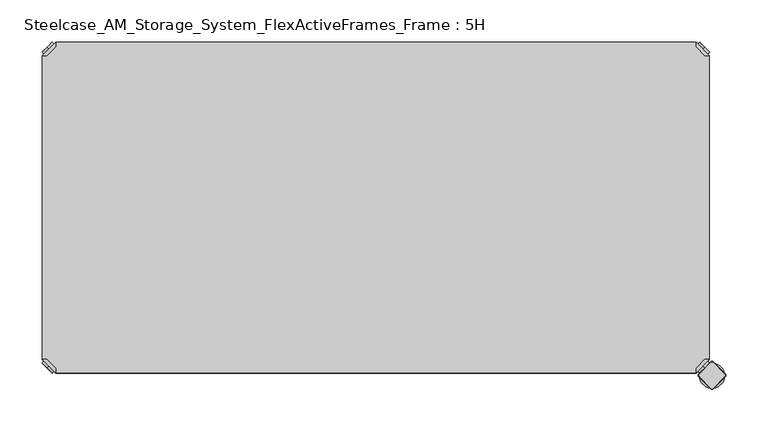
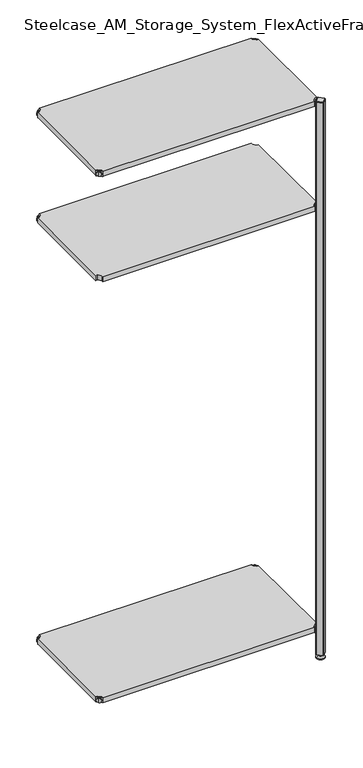
"""IFC4 building model written with IfcOpenShell, lengths in millimetres: furniture geometry, Steelcase_AM_Storage_System_FlexActiveFrames_Frame : 5H."""

from ifc_helpers import new_model, si_unit, point, frame, frame_2d, origin, place, context, project, spatial, polyline, circle_curve, trimmed, segment, composite_curve, outline, extrude, source, transform, mapped, element, save
from ifc_brep_helpers import plane_surface, cylinder_surface, revolved_surface, advanced_brep


def steelcase_am_storage_system_flexactiveframes_frame_5h_b636165f(model_context):
    return source(origin(), model_context, "Body", "SolidModel", [
        advanced_brep(
        [(10.9601551, -10.9601551, 1698.5), (10.9601551, -10.9601551, 1715.5), (10.9601551, -10.9601551, 1707.0), (8.8388348, -8.8388348, 1698.5), (8.8388348, -8.8388348, 1715.5), (8.8388348, -8.8388348, 1707.0)],
        [
            (0, 1, circle_curve(frame((10.9601551, -10.9601551, 1707.0), z_axis=(0.7071067811865464, -0.7071067811865487, 0.0), x_axis=(0.0, 0.0, 1.0)), 8.5)),
            (1, 2),
            (2, 0),
            (1, 0, circle_curve(frame((10.9601551, -10.9601551, 1707.0), z_axis=(0.7071067811865464, -0.7071067811865487, 0.0), x_axis=(0.0, 0.0, 1.0)), 8.5)),
            (3, 4, circle_curve(frame((8.8388348, -8.8388348, 1707.0), z_axis=(0.7071067811865464, -0.7071067811865487, 0.0), x_axis=(0.0, 0.0, 1.0)), 8.5)),
            (4, 1),
            (0, 3),
            (4, 3, circle_curve(frame((8.8388348, -8.8388348, 1707.0), z_axis=(0.7071067811865464, -0.7071067811865487, 0.0), x_axis=(0.0, 0.0, 1.0)), 8.5)),
            (5, 4),
            (3, 5),
        ],
        [
            plane_surface(frame((10.9601551, -10.9601551, 1707.0), z_axis=(0.707106781186546, -0.7071067811865491, 0.0), x_axis=(0.0, 0.0, 1.0))),
            cylinder_surface(frame((8.8388348, -8.8388348, 1707.0), z_axis=(-0.7071067811865464, 0.7071067811865487, 0.0), x_axis=(0.0, 0.0, 1.0)), 8.5),
            plane_surface(frame((8.8388348, -8.8388348, 1707.0), z_axis=(-0.707106781186546, 0.7071067811865491, 0.0), x_axis=(0.0, 0.0, 1.0))),
        ],
        [
            (0, [[1, 2, 3]]),
            (0, [[4, -3, -2]]),
            (1, [[5, 6, -1, 7]]),
            (1, [[8, -7, -4, -6]]),
            (2, [[9, -5, 10]]),
            (2, [[-10, -8, -9]]),
        ],
    ),
        advanced_brep(
        [(18.9203102, -3.0, 1717.0), (3.0, -18.9203102, 1717.0), (8.6568542, -18.9203102, 1717.0), (18.9203102, -8.6568542, 1717.0), (18.9203102, -3.0, 1698.0), (18.9203102, -3.0, 1697.0), (3.0, -18.9203102, 1697.0), (3.0, -18.9203102, 1698.0), (8.6568542, -18.9203102, 1698.0), (18.9203102, -8.6568542, 1698.0), (31.8093975, -47.7297077, 1698.0), (47.7297077, -31.8093975, 1698.0), (47.7297077, -31.8093975, 1697.0), (31.8093975, -47.7297077, 1697.0)],
        [
            (0, 1),
            (1, 2),
            (2, 3),
            (3, 0),
            (0, 4),
            (4, 5),
            (5, 6),
            (6, 7),
            (7, 1),
            (2, 8),
            (8, 9),
            (9, 3),
            (9, 4),
            (7, 8),
            (7, 10),
            (10, 11, circle_curve(frame((39.7695526, -39.7695526, 1698.0), z_axis=(0.0, 0.0, 1.0), x_axis=(1.0, 0.0, 0.0)), 11.2573593)),
            (11, 4),
            (5, 12),
            (12, 13, circle_curve(frame((39.7695526, -39.7695526, 1697.0), z_axis=(0.0, 0.0, -1.0), x_axis=(1.0, 0.0, 0.0)), 11.2573593)),
            (13, 6),
            (13, 10),
            (12, 11),
        ],
        [
            plane_surface(frame((-38.8756299, -60.7959401, 1717.0), z_axis=(0.0, 0.0, 1.0000000000000002), x_axis=(-0.7071067811865557, -0.7071067811865395, 0.0))),
            plane_surface(frame((18.9203102, -3.0, 1717.0), z_axis=(-0.7071067811865395, 0.7071067811865557, 0.0), x_axis=(0.0, 0.0, -1.0))),
            plane_surface(frame((8.6568542, -18.9203102, 1717.0), z_axis=(0.7071067811865481, -0.7071067811865469, 0.0), x_axis=(0.0, 0.0, -1.0))),
            plane_surface(frame((18.9203102, -8.6568542, 1717.0), z_axis=(1.0, 0.0, 0.0), x_axis=(0.0, 0.0, -1.0))),
            plane_surface(frame((3.0, -18.9203102, 1717.0), z_axis=(0.0, -1.0, 0.0), x_axis=(0.0, 0.0, -1.0))),
            plane_surface(frame((3.0, -18.9203102, 1698.0), z_axis=(0.0, 0.0, 1.0), x_axis=(-0.7071067811865485, -0.7071067811865466, 0.0))),
            plane_surface(frame((3.0, -18.9203102, 1697.0), z_axis=(0.0, 0.0, -1.0), x_axis=(0.7071067811865485, 0.7071067811865466, 0.0))),
            plane_surface(frame((3.0, -18.9203102, 1698.0), z_axis=(-0.7071067811865491, -0.707106781186546, 0.0), x_axis=(0.0, 0.0, -1.0))),
            cylinder_surface(frame((39.7695526, -39.7695526, 1697.0), z_axis=(0.0, 0.0, 1.0), x_axis=(1.0, 0.0, 0.0)), 11.2573593),
            plane_surface(frame((47.7297077, -31.8093975, 1698.0), z_axis=(0.707106781186548, 0.7071067811865471, 0.0), x_axis=(0.0, 0.0, -1.0))),
        ],
        [
            (0, [[1, 2, 3, 4]]),
            (1, [[-1, 5, 6, 7, 8, 9]]),
            (2, [[-3, 10, 11, 12]]),
            (3, [[-4, -12, 13, -5]]),
            (4, [[-2, -9, 14, -10]]),
            (5, [[15, 16, 17, -13, -11, -14]]),
            (6, [[18, 19, 20, -7]]),
            (7, [[-15, -8, -20, 21]]),
            (8, [[-16, -21, -19, 22]]),
            (9, [[-17, -22, -18, -6]]),
        ],
    ),
        extrude(outline(polyline([(781.0796898, -3.0), (781.0796898, -8.6568542), (791.3431458, -18.9203102), (797.0, -18.9203102), (797.0, -381.0796898), (791.3431458, -381.0796898), (781.0796898, -391.3431458), (781.0796898, -397.0), (18.9203102, -397.0), (18.9203102, -391.3431458), (8.6568542, -381.0796898), (3.0, -381.0796898), (3.0, -18.9203102), (8.6568542, -18.9203102), (18.9203102, -8.6568542), (18.9203102, -3.0), (781.0796898, -3.0)])), frame((0.0, 0.0, 1698.0), z_axis=(0.0, 0.0, 1.0), x_axis=(1.0, 0.0, 0.0)), (0.0, 0.0, 1.0), 19.0),
        advanced_brep(
        [(789.0398449, -10.9601551, 2098.5), (789.0398449, -10.9601551, 2107.0), (789.0398449, -10.9601551, 2115.5), (791.1611652, -8.8388348, 2098.5), (791.1611652, -8.8388348, 2115.5), (791.1611652, -8.8388348, 2107.0)],
        [
            (0, 1),
            (1, 2),
            (2, 0, circle_curve(frame((789.0398449, -10.9601551, 2107.0), z_axis=(-0.7071067811865556, -0.7071067811865395, 0.0), x_axis=(0.0, 0.0, 1.0)), 8.5)),
            (0, 2, circle_curve(frame((789.0398449, -10.9601551, 2107.0), z_axis=(-0.7071067811865556, -0.7071067811865395, 0.0), x_axis=(0.0, 0.0, 1.0)), 8.5)),
            (3, 0),
            (2, 4),
            (4, 3, circle_curve(frame((791.1611652, -8.8388348, 2107.0), z_axis=(-0.7071067811865556, -0.7071067811865395, 0.0), x_axis=(0.0, 0.0, 1.0)), 8.5)),
            (3, 4, circle_curve(frame((791.1611652, -8.8388348, 2107.0), z_axis=(-0.7071067811865556, -0.7071067811865395, 0.0), x_axis=(0.0, 0.0, 1.0)), 8.5)),
            (5, 3),
            (4, 5),
        ],
        [
            plane_surface(frame((789.0398449, -10.9601551, 2107.0), z_axis=(-0.7071067811865552, -0.7071067811865399, 0.0), x_axis=(0.0, 0.0, 1.0))),
            cylinder_surface(frame((791.1611652, -8.8388348, 2107.0), z_axis=(0.7071067811865556, 0.7071067811865395, 0.0), x_axis=(0.0, 0.0, 1.0)), 8.5),
            plane_surface(frame((791.1611652, -8.8388348, 2107.0), z_axis=(0.7071067811865552, 0.7071067811865399, 0.0), x_axis=(0.0, 0.0, 1.0))),
        ],
        [
            (0, [[1, 2, 3]]),
            (0, [[-2, -1, 4]]),
            (1, [[5, -3, 6, 7]]),
            (1, [[-6, -4, -5, 8]]),
            (2, [[9, -7, 10]]),
            (2, [[-10, -8, -9]]),
        ],
    ),
        advanced_brep(
        [(781.0796898, -3.0, 2117.0), (781.0796898, -8.6568542, 2117.0), (791.3431458, -18.9203102, 2117.0), (797.0, -18.9203102, 2117.0), (797.0, -18.9203102, 2098.0), (797.0, -18.9203102, 2097.0), (781.0796898, -3.0, 2097.0), (781.0796898, -3.0, 2098.0), (781.0796898, -8.6568542, 2098.0), (791.3431458, -18.9203102, 2098.0), (752.2702923, -31.8093975, 2098.0), (768.1906025, -47.7297077, 2098.0), (768.1906025, -47.7297077, 2097.0), (752.2702923, -31.8093975, 2097.0)],
        [
            (0, 1),
            (1, 2),
            (2, 3),
            (3, 0),
            (3, 4),
            (4, 5),
            (5, 6),
            (6, 7),
            (7, 0),
            (1, 8),
            (8, 9),
            (9, 2),
            (7, 8),
            (9, 4),
            (7, 10),
            (10, 11, circle_curve(frame((760.2304474, -39.7695526, 2098.0), z_axis=(0.0, 0.0, 1.0), x_axis=(-1.0, 0.0, 0.0)), 11.2573593)),
            (11, 4),
            (5, 12),
            (12, 13, circle_curve(frame((760.2304474, -39.7695526, 2097.0), z_axis=(0.0, 0.0, -1.0), x_axis=(-1.0, 0.0, 0.0)), 11.2573593)),
            (13, 6),
            (11, 12),
            (10, 13),
        ],
        [
            plane_surface(frame((838.8756299, -60.7959401, 2117.0), z_axis=(0.0, 0.0, 1.0000000000000002), x_axis=(0.7071067811865465, -0.7071067811865487, 0.0))),
            plane_surface(frame((781.0796898, -3.0, 2117.0), z_axis=(0.7071067811865487, 0.7071067811865465, 0.0), x_axis=(0.0, 0.0, -1.0))),
            plane_surface(frame((791.3431458, -18.9203102, 2117.0), z_axis=(-0.7071067811865573, -0.7071067811865377, 0.0), x_axis=(0.0, 0.0, -1.0))),
            plane_surface(frame((781.0796898, -8.6568542, 2117.0), z_axis=(-1.0, 0.0, 0.0), x_axis=(0.0, 0.0, -1.0))),
            plane_surface(frame((797.0, -18.9203102, 2117.0), z_axis=(0.0, -1.0, 0.0), x_axis=(0.0, 0.0, -1.0))),
            plane_surface(frame((797.0, -18.9203102, 2098.0), z_axis=(0.0, 0.0, 1.0), x_axis=(0.7071067811865392, -0.7071067811865558, 0.0))),
            plane_surface(frame((797.0, -18.9203102, 2097.0), z_axis=(0.0, 0.0, -1.0), x_axis=(-0.7071067811865392, 0.7071067811865558, 0.0))),
            plane_surface(frame((797.0, -18.9203102, 2098.0), z_axis=(0.7071067811865399, -0.7071067811865552, 0.0), x_axis=(0.0, 0.0, -1.0))),
            cylinder_surface(frame((760.2304474, -39.7695526, 2097.0), z_axis=(0.0, 0.0, 1.0), x_axis=(-1.0, 0.0, 0.0)), 11.2573593),
            plane_surface(frame((752.2702923, -31.8093975, 2098.0), z_axis=(-0.7071067811865388, 0.7071067811865563, 0.0), x_axis=(0.0, 0.0, -1.0))),
        ],
        [
            (0, [[1, 2, 3, 4]]),
            (1, [[5, 6, 7, 8, 9, -4]]),
            (2, [[10, 11, 12, -2]]),
            (3, [[-9, 13, -10, -1]]),
            (4, [[-12, 14, -5, -3]]),
            (5, [[-14, -11, -13, 15, 16, 17]]),
            (6, [[-7, 18, 19, 20]]),
            (7, [[21, -18, -6, -17]]),
            (8, [[22, -19, -21, -16]]),
            (9, [[-8, -20, -22, -15]]),
        ],
    ),
        advanced_brep(
        [(789.0398449, -389.0398449, 2098.5), (789.0398449, -389.0398449, 2115.5), (789.0398449, -389.0398449, 2107.0), (791.1611652, -391.1611652, 2098.5), (791.1611652, -391.1611652, 2115.5), (791.1611652, -391.1611652, 2107.0)],
        [
            (0, 1, circle_curve(frame((789.0398449, -389.0398449, 2107.0), z_axis=(-0.7071067811865509, 0.7071067811865441, 0.0), x_axis=(0.0, 0.0, 1.0)), 8.5)),
            (1, 2),
            (2, 0),
            (1, 0, circle_curve(frame((789.0398449, -389.0398449, 2107.0), z_axis=(-0.7071067811865509, 0.7071067811865441, 0.0), x_axis=(0.0, 0.0, 1.0)), 8.5)),
            (3, 4, circle_curve(frame((791.1611652, -391.1611652, 2107.0), z_axis=(-0.7071067811865509, 0.7071067811865441, 0.0), x_axis=(0.0, 0.0, 1.0)), 8.5)),
            (4, 1),
            (0, 3),
            (4, 3, circle_curve(frame((791.1611652, -391.1611652, 2107.0), z_axis=(-0.7071067811865509, 0.7071067811865441, 0.0), x_axis=(0.0, 0.0, 1.0)), 8.5)),
            (5, 4),
            (3, 5),
        ],
        [
            plane_surface(frame((789.0398449, -389.0398449, 2107.0), z_axis=(-0.7071067811865506, 0.7071067811865446, 0.0), x_axis=(0.0, 0.0, 1.0))),
            cylinder_surface(frame((791.1611652, -391.1611652, 2107.0), z_axis=(0.7071067811865509, -0.7071067811865441, 0.0), x_axis=(0.0, 0.0, 1.0)), 8.5),
            plane_surface(frame((791.1611652, -391.1611652, 2107.0), z_axis=(0.7071067811865506, -0.7071067811865446, 0.0), x_axis=(0.0, 0.0, 1.0))),
        ],
        [
            (0, [[1, 2, 3]]),
            (0, [[4, -3, -2]]),
            (1, [[5, 6, -1, 7]]),
            (1, [[8, -7, -4, -6]]),
            (2, [[9, -5, 10]]),
            (2, [[-10, -8, -9]]),
        ],
    ),
        advanced_brep(
        [(781.0796898, -397.0, 2117.0), (797.0, -381.0796898, 2117.0), (791.3431458, -381.0796898, 2117.0), (781.0796898, -391.3431458, 2117.0), (781.0796898, -397.0, 2098.0), (781.0796898, -397.0, 2097.0), (797.0, -381.0796898, 2097.0), (797.0, -381.0796898, 2098.0), (791.3431458, -381.0796898, 2098.0), (781.0796898, -391.3431458, 2098.0), (768.1906025, -352.2702923, 2098.0), (752.2702923, -368.1906025, 2098.0), (752.2702923, -368.1906025, 2097.0), (768.1906025, -352.2702923, 2097.0)],
        [
            (0, 1),
            (1, 2),
            (2, 3),
            (3, 0),
            (0, 4),
            (4, 5),
            (5, 6),
            (6, 7),
            (7, 1),
            (2, 8),
            (8, 9),
            (9, 3),
            (9, 4),
            (7, 8),
            (7, 10),
            (10, 11, circle_curve(frame((760.2304474, -360.2304474, 2098.0), z_axis=(0.0, 0.0, 1.0), x_axis=(-1.0, 0.0, 0.0)), 11.2573593)),
            (11, 4),
            (5, 12),
            (12, 13, circle_curve(frame((760.2304474, -360.2304474, 2097.0), z_axis=(0.0, 0.0, -1.0), x_axis=(-1.0, 0.0, 0.0)), 11.2573593)),
            (13, 6),
            (13, 10),
            (12, 11),
        ],
        [
            plane_surface(frame((838.8756299, -339.2040599, 2117.0), z_axis=(0.0, 0.0, 1.0000000000000002), x_axis=(0.7071067811865511, 0.707106781186544, 0.0))),
            plane_surface(frame((781.0796898, -397.0, 2117.0), z_axis=(0.707106781186544, -0.7071067811865511, 0.0), x_axis=(0.0, 0.0, -1.0))),
            plane_surface(frame((791.3431458, -381.0796898, 2117.0), z_axis=(-0.7071067811865527, 0.7071067811865424, 0.0), x_axis=(0.0, 0.0, -1.0))),
            plane_surface(frame((781.0796898, -391.3431458, 2117.0), z_axis=(-1.0, 0.0, 0.0), x_axis=(0.0, 0.0, -1.0))),
            plane_surface(frame((797.0, -381.0796898, 2117.0), z_axis=(0.0, 1.0, 0.0), x_axis=(0.0, 0.0, -1.0))),
            plane_surface(frame((797.0, -381.0796898, 2098.0), z_axis=(0.0, 0.0, 1.0), x_axis=(0.7071067811865439, 0.7071067811865511, 0.0))),
            plane_surface(frame((797.0, -381.0796898, 2097.0), z_axis=(0.0, 0.0, -1.0), x_axis=(-0.7071067811865439, -0.7071067811865511, 0.0))),
            plane_surface(frame((797.0, -381.0796898, 2098.0), z_axis=(0.7071067811865446, 0.7071067811865506, 0.0), x_axis=(0.0, 0.0, -1.0))),
            cylinder_surface(frame((760.2304474, -360.2304474, 2097.0), z_axis=(0.0, 0.0, 1.0), x_axis=(-1.0, 0.0, 0.0)), 11.2573593),
            plane_surface(frame((752.2702923, -368.1906025, 2098.0), z_axis=(-0.7071067811865435, -0.7071067811865517, 0.0), x_axis=(0.0, 0.0, -1.0))),
        ],
        [
            (0, [[1, 2, 3, 4]]),
            (1, [[-1, 5, 6, 7, 8, 9]]),
            (2, [[-3, 10, 11, 12]]),
            (3, [[-4, -12, 13, -5]]),
            (4, [[-2, -9, 14, -10]]),
            (5, [[15, 16, 17, -13, -11, -14]]),
            (6, [[18, 19, 20, -7]]),
            (7, [[-15, -8, -20, 21]]),
            (8, [[-16, -21, -19, 22]]),
            (9, [[-17, -22, -18, -6]]),
        ],
    ),
        advanced_brep(
        [(10.9601551, -389.0398449, 2098.5), (10.9601551, -389.0398449, 2107.0), (10.9601551, -389.0398449, 2115.5), (8.8388348, -391.1611652, 2098.5), (8.8388348, -391.1611652, 2115.5), (8.8388348, -391.1611652, 2107.0)],
        [
            (0, 1),
            (1, 2),
            (2, 0, circle_curve(frame((10.9601551, -389.0398449, 2107.0), z_axis=(0.7071067811865509, 0.7071067811865441, 0.0), x_axis=(0.0, 0.0, 1.0)), 8.5)),
            (0, 2, circle_curve(frame((10.9601551, -389.0398449, 2107.0), z_axis=(0.7071067811865509, 0.7071067811865441, 0.0), x_axis=(0.0, 0.0, 1.0)), 8.5)),
            (3, 0),
            (2, 4),
            (4, 3, circle_curve(frame((8.8388348, -391.1611652, 2107.0), z_axis=(0.7071067811865509, 0.7071067811865441, 0.0), x_axis=(0.0, 0.0, 1.0)), 8.5)),
            (3, 4, circle_curve(frame((8.8388348, -391.1611652, 2107.0), z_axis=(0.7071067811865509, 0.7071067811865441, 0.0), x_axis=(0.0, 0.0, 1.0)), 8.5)),
            (5, 3),
            (4, 5),
        ],
        [
            plane_surface(frame((10.9601551, -389.0398449, 2107.0), z_axis=(0.7071067811865506, 0.7071067811865446, 0.0), x_axis=(0.0, 0.0, 1.0))),
            cylinder_surface(frame((8.8388348, -391.1611652, 2107.0), z_axis=(-0.7071067811865509, -0.7071067811865441, 0.0), x_axis=(0.0, 0.0, 1.0)), 8.5),
            plane_surface(frame((8.8388348, -391.1611652, 2107.0), z_axis=(-0.7071067811865506, -0.7071067811865446, 0.0), x_axis=(0.0, 0.0, 1.0))),
        ],
        [
            (0, [[1, 2, 3]]),
            (0, [[-2, -1, 4]]),
            (1, [[5, -3, 6, 7]]),
            (1, [[-6, -4, -5, 8]]),
            (2, [[9, -7, 10]]),
            (2, [[-10, -8, -9]]),
        ],
    ),
        advanced_brep(
        [(18.9203102, -397.0, 2117.0), (18.9203102, -391.3431458, 2117.0), (8.6568542, -381.0796898, 2117.0), (3.0, -381.0796898, 2117.0), (3.0, -381.0796898, 2098.0), (3.0, -381.0796898, 2097.0), (18.9203102, -397.0, 2097.0), (18.9203102, -397.0, 2098.0), (18.9203102, -391.3431458, 2098.0), (8.6568542, -381.0796898, 2098.0), (47.7297077, -368.1906025, 2098.0), (31.8093975, -352.2702923, 2098.0), (31.8093975, -352.2702923, 2097.0), (47.7297077, -368.1906025, 2097.0)],
        [
            (0, 1),
            (1, 2),
            (2, 3),
            (3, 0),
            (3, 4),
            (4, 5),
            (5, 6),
            (6, 7),
            (7, 0),
            (1, 8),
            (8, 9),
            (9, 2),
            (7, 8),
            (9, 4),
            (7, 10),
            (10, 11, circle_curve(frame((39.7695526, -360.2304474, 2098.0), z_axis=(0.0, 0.0, 1.0), x_axis=(1.0, 0.0, 0.0)), 11.2573593)),
            (11, 4),
            (5, 12),
            (12, 13, circle_curve(frame((39.7695526, -360.2304474, 2097.0), z_axis=(0.0, 0.0, -1.0), x_axis=(1.0, 0.0, 0.0)), 11.2573593)),
            (13, 6),
            (11, 12),
            (10, 13),
        ],
        [
            plane_surface(frame((-38.8756299, -339.2040599, 2117.0), z_axis=(0.0, 0.0, 1.0000000000000002), x_axis=(-0.7071067811865511, 0.707106781186544, 0.0))),
            plane_surface(frame((18.9203102, -397.0, 2117.0), z_axis=(-0.707106781186544, -0.7071067811865511, 0.0), x_axis=(0.0, 0.0, -1.0))),
            plane_surface(frame((8.6568542, -381.0796898, 2117.0), z_axis=(0.7071067811865527, 0.7071067811865424, 0.0), x_axis=(0.0, 0.0, -1.0))),
            plane_surface(frame((18.9203102, -391.3431458, 2117.0), z_axis=(1.0, 0.0, 0.0), x_axis=(0.0, 0.0, -1.0))),
            plane_surface(frame((3.0, -381.0796898, 2117.0), z_axis=(0.0, 1.0, 0.0), x_axis=(0.0, 0.0, -1.0))),
            plane_surface(frame((3.0, -381.0796898, 2098.0), z_axis=(0.0, 0.0, 1.0), x_axis=(-0.7071067811865439, 0.7071067811865511, 0.0))),
            plane_surface(frame((3.0, -381.0796898, 2097.0), z_axis=(0.0, 0.0, -1.0), x_axis=(0.7071067811865439, -0.7071067811865511, 0.0))),
            plane_surface(frame((3.0, -381.0796898, 2098.0), z_axis=(-0.7071067811865446, 0.7071067811865506, 0.0), x_axis=(0.0, 0.0, -1.0))),
            cylinder_surface(frame((39.7695526, -360.2304474, 2097.0), z_axis=(0.0, 0.0, 1.0), x_axis=(1.0, 0.0, 0.0)), 11.2573593),
            plane_surface(frame((47.7297077, -368.1906025, 2098.0), z_axis=(0.7071067811865435, -0.7071067811865517, 0.0), x_axis=(0.0, 0.0, -1.0))),
        ],
        [
            (0, [[1, 2, 3, 4]]),
            (1, [[5, 6, 7, 8, 9, -4]]),
            (2, [[10, 11, 12, -2]]),
            (3, [[-9, 13, -10, -1]]),
            (4, [[-12, 14, -5, -3]]),
            (5, [[-14, -11, -13, 15, 16, 17]]),
            (6, [[-7, 18, 19, 20]]),
            (7, [[21, -18, -6, -17]]),
            (8, [[22, -19, -21, -16]]),
            (9, [[-8, -20, -22, -15]]),
        ],
    ),
        advanced_brep(
        [(10.9601551, -10.9601551, 2098.5), (10.9601551, -10.9601551, 2115.5), (10.9601551, -10.9601551, 2107.0), (8.8388348, -8.8388348, 2098.5), (8.8388348, -8.8388348, 2115.5), (8.8388348, -8.8388348, 2107.0)],
        [
            (0, 1, circle_curve(frame((10.9601551, -10.9601551, 2107.0), z_axis=(0.7071067811865464, -0.7071067811865487, 0.0), x_axis=(0.0, 0.0, 1.0)), 8.5)),
            (1, 2),
            (2, 0),
            (1, 0, circle_curve(frame((10.9601551, -10.9601551, 2107.0), z_axis=(0.7071067811865464, -0.7071067811865487, 0.0), x_axis=(0.0, 0.0, 1.0)), 8.5)),
            (3, 4, circle_curve(frame((8.8388348, -8.8388348, 2107.0), z_axis=(0.7071067811865464, -0.7071067811865487, 0.0), x_axis=(0.0, 0.0, 1.0)), 8.5)),
            (4, 1),
            (0, 3),
            (4, 3, circle_curve(frame((8.8388348, -8.8388348, 2107.0), z_axis=(0.7071067811865464, -0.7071067811865487, 0.0), x_axis=(0.0, 0.0, 1.0)), 8.5)),
            (5, 4),
            (3, 5),
        ],
        [
            plane_surface(frame((10.9601551, -10.9601551, 2107.0), z_axis=(0.707106781186546, -0.7071067811865491, 0.0), x_axis=(0.0, 0.0, 1.0))),
            cylinder_surface(frame((8.8388348, -8.8388348, 2107.0), z_axis=(-0.7071067811865464, 0.7071067811865487, 0.0), x_axis=(0.0, 0.0, 1.0)), 8.5),
            plane_surface(frame((8.8388348, -8.8388348, 2107.0), z_axis=(-0.707106781186546, 0.7071067811865491, 0.0), x_axis=(0.0, 0.0, 1.0))),
        ],
        [
            (0, [[1, 2, 3]]),
            (0, [[4, -3, -2]]),
            (1, [[5, 6, -1, 7]]),
            (1, [[8, -7, -4, -6]]),
            (2, [[9, -5, 10]]),
            (2, [[-10, -8, -9]]),
        ],
    ),
        advanced_brep(
        [(18.9203102, -3.0, 2117.0), (3.0, -18.9203102, 2117.0), (8.6568542, -18.9203102, 2117.0), (18.9203102, -8.6568542, 2117.0), (18.9203102, -3.0, 2098.0), (18.9203102, -3.0, 2097.0), (3.0, -18.9203102, 2097.0), (3.0, -18.9203102, 2098.0), (8.6568542, -18.9203102, 2098.0), (18.9203102, -8.6568542, 2098.0), (31.8093975, -47.7297077, 2098.0), (47.7297077, -31.8093975, 2098.0), (47.7297077, -31.8093975, 2097.0), (31.8093975, -47.7297077, 2097.0)],
        [
            (0, 1),
            (1, 2),
            (2, 3),
            (3, 0),
            (0, 4),
            (4, 5),
            (5, 6),
            (6, 7),
            (7, 1),
            (2, 8),
            (8, 9),
            (9, 3),
            (9, 4),
            (7, 8),
            (7, 10),
            (10, 11, circle_curve(frame((39.7695526, -39.7695526, 2098.0), z_axis=(0.0, 0.0, 1.0), x_axis=(1.0, 0.0, 0.0)), 11.2573593)),
            (11, 4),
            (5, 12),
            (12, 13, circle_curve(frame((39.7695526, -39.7695526, 2097.0), z_axis=(0.0, 0.0, -1.0), x_axis=(1.0, 0.0, 0.0)), 11.2573593)),
            (13, 6),
            (13, 10),
            (12, 11),
        ],
        [
            plane_surface(frame((-38.8756299, -60.7959401, 2117.0), z_axis=(0.0, 0.0, 1.0000000000000002), x_axis=(-0.7071067811865557, -0.7071067811865395, 0.0))),
            plane_surface(frame((18.9203102, -3.0, 2117.0), z_axis=(-0.7071067811865395, 0.7071067811865557, 0.0), x_axis=(0.0, 0.0, -1.0))),
            plane_surface(frame((8.6568542, -18.9203102, 2117.0), z_axis=(0.7071067811865481, -0.7071067811865469, 0.0), x_axis=(0.0, 0.0, -1.0))),
            plane_surface(frame((18.9203102, -8.6568542, 2117.0), z_axis=(1.0, 0.0, 0.0), x_axis=(0.0, 0.0, -1.0))),
            plane_surface(frame((3.0, -18.9203102, 2117.0), z_axis=(0.0, -1.0, 0.0), x_axis=(0.0, 0.0, -1.0))),
            plane_surface(frame((3.0, -18.9203102, 2098.0), z_axis=(0.0, 0.0, 1.0), x_axis=(-0.7071067811865485, -0.7071067811865466, 0.0))),
            plane_surface(frame((3.0, -18.9203102, 2097.0), z_axis=(0.0, 0.0, -1.0), x_axis=(0.7071067811865485, 0.7071067811865466, 0.0))),
            plane_surface(frame((3.0, -18.9203102, 2098.0), z_axis=(-0.7071067811865491, -0.707106781186546, 0.0), x_axis=(0.0, 0.0, -1.0))),
            cylinder_surface(frame((39.7695526, -39.7695526, 2097.0), z_axis=(0.0, 0.0, 1.0), x_axis=(1.0, 0.0, 0.0)), 11.2573593),
            plane_surface(frame((47.7297077, -31.8093975, 2098.0), z_axis=(0.707106781186548, 0.7071067811865471, 0.0), x_axis=(0.0, 0.0, -1.0))),
        ],
        [
            (0, [[1, 2, 3, 4]]),
            (1, [[-1, 5, 6, 7, 8, 9]]),
            (2, [[-3, 10, 11, 12]]),
            (3, [[-4, -12, 13, -5]]),
            (4, [[-2, -9, 14, -10]]),
            (5, [[15, 16, 17, -13, -11, -14]]),
            (6, [[18, 19, 20, -7]]),
            (7, [[-15, -8, -20, 21]]),
            (8, [[-16, -21, -19, 22]]),
            (9, [[-17, -22, -18, -6]]),
        ],
    ),
        extrude(outline(polyline([(781.0796898, -3.0), (781.0796898, -8.6568542), (791.3431458, -18.9203102), (797.0, -18.9203102), (797.0, -381.0796898), (791.3431458, -381.0796898), (781.0796898, -391.3431458), (781.0796898, -397.0), (18.9203102, -397.0), (18.9203102, -391.3431458), (8.6568542, -381.0796898), (3.0, -381.0796898), (3.0, -18.9203102), (8.6568542, -18.9203102), (18.9203102, -8.6568542), (18.9203102, -3.0), (781.0796898, -3.0)])), frame((0.0, 0.0, 2098.0), z_axis=(0.0, 0.0, 1.0), x_axis=(1.0, 0.0, 0.0)), (0.0, 0.0, 1.0), 19.0),
        advanced_brep(
        [(789.0398449, -10.9601551, 98.5), (789.0398449, -10.9601551, 107.0), (789.0398449, -10.9601551, 115.5), (791.1611652, -8.8388348, 98.5), (791.1611652, -8.8388348, 115.5), (791.1611652, -8.8388348, 107.0)],
        [
            (0, 1),
            (1, 2),
            (2, 0, circle_curve(frame((789.0398449, -10.9601551, 107.0), z_axis=(-0.7071067811865556, -0.7071067811865395, 0.0), x_axis=(0.0, 0.0, 1.0)), 8.5)),
            (0, 2, circle_curve(frame((789.0398449, -10.9601551, 107.0), z_axis=(-0.7071067811865556, -0.7071067811865395, 0.0), x_axis=(0.0, 0.0, 1.0)), 8.5)),
            (3, 0),
            (2, 4),
            (4, 3, circle_curve(frame((791.1611652, -8.8388348, 107.0), z_axis=(-0.7071067811865556, -0.7071067811865395, 0.0), x_axis=(0.0, 0.0, 1.0)), 8.5)),
            (3, 4, circle_curve(frame((791.1611652, -8.8388348, 107.0), z_axis=(-0.7071067811865556, -0.7071067811865395, 0.0), x_axis=(0.0, 0.0, 1.0)), 8.5)),
            (5, 3),
            (4, 5),
        ],
        [
            plane_surface(frame((789.0398449, -10.9601551, 107.0), z_axis=(-0.7071067811865552, -0.7071067811865399, 0.0), x_axis=(0.0, 0.0, 1.0))),
            cylinder_surface(frame((791.1611652, -8.8388348, 107.0), z_axis=(0.7071067811865556, 0.7071067811865395, 0.0), x_axis=(0.0, 0.0, 1.0)), 8.5),
            plane_surface(frame((791.1611652, -8.8388348, 107.0), z_axis=(0.7071067811865552, 0.7071067811865399, 0.0), x_axis=(0.0, 0.0, 1.0))),
        ],
        [
            (0, [[1, 2, 3]]),
            (0, [[-2, -1, 4]]),
            (1, [[5, -3, 6, 7]]),
            (1, [[-6, -4, -5, 8]]),
            (2, [[9, -7, 10]]),
            (2, [[-10, -8, -9]]),
        ],
    ),
        advanced_brep(
        [(781.0796898, -3.0, 117.0), (781.0796898, -8.6568542, 117.0), (791.3431458, -18.9203102, 117.0), (797.0, -18.9203102, 117.0), (797.0, -18.9203102, 98.0), (797.0, -18.9203102, 97.0), (781.0796898, -3.0, 97.0), (781.0796898, -3.0, 98.0), (781.0796898, -8.6568542, 98.0), (791.3431458, -18.9203102, 98.0), (752.2702923, -31.8093975, 98.0), (768.1906025, -47.7297077, 98.0), (768.1906025, -47.7297077, 97.0), (752.2702923, -31.8093975, 97.0)],
        [
            (0, 1),
            (1, 2),
            (2, 3),
            (3, 0),
            (3, 4),
            (4, 5),
            (5, 6),
            (6, 7),
            (7, 0),
            (1, 8),
            (8, 9),
            (9, 2),
            (7, 8),
            (9, 4),
            (7, 10),
            (10, 11, circle_curve(frame((760.2304474, -39.7695526, 98.0), z_axis=(0.0, 0.0, 1.0), x_axis=(-1.0, 0.0, 0.0)), 11.2573593)),
            (11, 4),
            (5, 12),
            (12, 13, circle_curve(frame((760.2304474, -39.7695526, 97.0), z_axis=(0.0, 0.0, -1.0), x_axis=(-1.0, 0.0, 0.0)), 11.2573593)),
            (13, 6),
            (11, 12),
            (10, 13),
        ],
        [
            plane_surface(frame((838.8756299, -60.7959401, 117.0), z_axis=(0.0, 0.0, 1.0000000000000002), x_axis=(0.7071067811865465, -0.7071067811865487, 0.0))),
            plane_surface(frame((781.0796898, -3.0, 117.0), z_axis=(0.7071067811865487, 0.7071067811865465, 0.0), x_axis=(0.0, 0.0, -1.0))),
            plane_surface(frame((791.3431458, -18.9203102, 117.0), z_axis=(-0.7071067811865573, -0.7071067811865377, 0.0), x_axis=(0.0, 0.0, -1.0))),
            plane_surface(frame((781.0796898, -8.6568542, 117.0), z_axis=(-1.0, 0.0, 0.0), x_axis=(0.0, 0.0, -1.0))),
            plane_surface(frame((797.0, -18.9203102, 117.0), z_axis=(0.0, -1.0, 0.0), x_axis=(0.0, 0.0, -1.0))),
            plane_surface(frame((797.0, -18.9203102, 98.0), z_axis=(0.0, 0.0, 1.0), x_axis=(0.7071067811865392, -0.7071067811865558, 0.0))),
            plane_surface(frame((797.0, -18.9203102, 97.0), z_axis=(0.0, 0.0, -1.0), x_axis=(-0.7071067811865392, 0.7071067811865558, 0.0))),
            plane_surface(frame((797.0, -18.9203102, 98.0), z_axis=(0.7071067811865399, -0.7071067811865552, 0.0), x_axis=(0.0, 0.0, -1.0))),
            cylinder_surface(frame((760.2304474, -39.7695526, 97.0), z_axis=(0.0, 0.0, 1.0), x_axis=(-1.0, 0.0, 0.0)), 11.2573593),
            plane_surface(frame((752.2702923, -31.8093975, 98.0), z_axis=(-0.7071067811865388, 0.7071067811865563, 0.0), x_axis=(0.0, 0.0, -1.0))),
        ],
        [
            (0, [[1, 2, 3, 4]]),
            (1, [[5, 6, 7, 8, 9, -4]]),
            (2, [[10, 11, 12, -2]]),
            (3, [[-9, 13, -10, -1]]),
            (4, [[-12, 14, -5, -3]]),
            (5, [[-14, -11, -13, 15, 16, 17]]),
            (6, [[-7, 18, 19, 20]]),
            (7, [[21, -18, -6, -17]]),
            (8, [[22, -19, -21, -16]]),
            (9, [[-8, -20, -22, -15]]),
        ],
    ),
        advanced_brep(
        [(789.0398449, -389.0398449, 98.5), (789.0398449, -389.0398449, 115.5), (789.0398449, -389.0398449, 107.0), (791.1611652, -391.1611652, 98.5), (791.1611652, -391.1611652, 115.5), (791.1611652, -391.1611652, 107.0)],
        [
            (0, 1, circle_curve(frame((789.0398449, -389.0398449, 107.0), z_axis=(-0.7071067811865509, 0.7071067811865441, 0.0), x_axis=(0.0, 0.0, 1.0)), 8.5)),
            (1, 2),
            (2, 0),
            (1, 0, circle_curve(frame((789.0398449, -389.0398449, 107.0), z_axis=(-0.7071067811865509, 0.7071067811865441, 0.0), x_axis=(0.0, 0.0, 1.0)), 8.5)),
            (3, 4, circle_curve(frame((791.1611652, -391.1611652, 107.0), z_axis=(-0.7071067811865509, 0.7071067811865441, 0.0), x_axis=(0.0, 0.0, 1.0)), 8.5)),
            (4, 1),
            (0, 3),
            (4, 3, circle_curve(frame((791.1611652, -391.1611652, 107.0), z_axis=(-0.7071067811865509, 0.7071067811865441, 0.0), x_axis=(0.0, 0.0, 1.0)), 8.5)),
            (5, 4),
            (3, 5),
        ],
        [
            plane_surface(frame((789.0398449, -389.0398449, 107.0), z_axis=(-0.7071067811865506, 0.7071067811865446, 0.0), x_axis=(0.0, 0.0, 1.0))),
            cylinder_surface(frame((791.1611652, -391.1611652, 107.0), z_axis=(0.7071067811865509, -0.7071067811865441, 0.0), x_axis=(0.0, 0.0, 1.0)), 8.5),
            plane_surface(frame((791.1611652, -391.1611652, 107.0), z_axis=(0.7071067811865506, -0.7071067811865446, 0.0), x_axis=(0.0, 0.0, 1.0))),
        ],
        [
            (0, [[1, 2, 3]]),
            (0, [[4, -3, -2]]),
            (1, [[5, 6, -1, 7]]),
            (1, [[8, -7, -4, -6]]),
            (2, [[9, -5, 10]]),
            (2, [[-10, -8, -9]]),
        ],
    ),
        advanced_brep(
        [(781.0796898, -397.0, 117.0), (797.0, -381.0796898, 117.0), (791.3431458, -381.0796898, 117.0), (781.0796898, -391.3431458, 117.0), (781.0796898, -397.0, 98.0), (781.0796898, -397.0, 97.0), (797.0, -381.0796898, 97.0), (797.0, -381.0796898, 98.0), (791.3431458, -381.0796898, 98.0), (781.0796898, -391.3431458, 98.0), (768.1906025, -352.2702923, 98.0), (752.2702923, -368.1906025, 98.0), (752.2702923, -368.1906025, 97.0), (768.1906025, -352.2702923, 97.0)],
        [
            (0, 1),
            (1, 2),
            (2, 3),
            (3, 0),
            (0, 4),
            (4, 5),
            (5, 6),
            (6, 7),
            (7, 1),
            (2, 8),
            (8, 9),
            (9, 3),
            (9, 4),
            (7, 8),
            (7, 10),
            (10, 11, circle_curve(frame((760.2304474, -360.2304474, 98.0), z_axis=(0.0, 0.0, 1.0), x_axis=(-1.0, 0.0, 0.0)), 11.2573593)),
            (11, 4),
            (5, 12),
            (12, 13, circle_curve(frame((760.2304474, -360.2304474, 97.0), z_axis=(0.0, 0.0, -1.0), x_axis=(-1.0, 0.0, 0.0)), 11.2573593)),
            (13, 6),
            (13, 10),
            (12, 11),
        ],
        [
            plane_surface(frame((838.8756299, -339.2040599, 117.0), z_axis=(0.0, 0.0, 1.0000000000000002), x_axis=(0.7071067811865511, 0.707106781186544, 0.0))),
            plane_surface(frame((781.0796898, -397.0, 117.0), z_axis=(0.707106781186544, -0.7071067811865511, 0.0), x_axis=(0.0, 0.0, -1.0))),
            plane_surface(frame((791.3431458, -381.0796898, 117.0), z_axis=(-0.7071067811865527, 0.7071067811865424, 0.0), x_axis=(0.0, 0.0, -1.0))),
            plane_surface(frame((781.0796898, -391.3431458, 117.0), z_axis=(-1.0, 0.0, 0.0), x_axis=(0.0, 0.0, -1.0))),
            plane_surface(frame((797.0, -381.0796898, 117.0), z_axis=(0.0, 1.0, 0.0), x_axis=(0.0, 0.0, -1.0))),
            plane_surface(frame((797.0, -381.0796898, 98.0), z_axis=(0.0, 0.0, 1.0), x_axis=(0.7071067811865439, 0.7071067811865511, 0.0))),
            plane_surface(frame((797.0, -381.0796898, 97.0), z_axis=(0.0, 0.0, -1.0), x_axis=(-0.7071067811865439, -0.7071067811865511, 0.0))),
            plane_surface(frame((797.0, -381.0796898, 98.0), z_axis=(0.7071067811865446, 0.7071067811865506, 0.0), x_axis=(0.0, 0.0, -1.0))),
            cylinder_surface(frame((760.2304474, -360.2304474, 97.0), z_axis=(0.0, 0.0, 1.0), x_axis=(-1.0, 0.0, 0.0)), 11.2573593),
            plane_surface(frame((752.2702923, -368.1906025, 98.0), z_axis=(-0.7071067811865435, -0.7071067811865517, 0.0), x_axis=(0.0, 0.0, -1.0))),
        ],
        [
            (0, [[1, 2, 3, 4]]),
            (1, [[-1, 5, 6, 7, 8, 9]]),
            (2, [[-3, 10, 11, 12]]),
            (3, [[-4, -12, 13, -5]]),
            (4, [[-2, -9, 14, -10]]),
            (5, [[15, 16, 17, -13, -11, -14]]),
            (6, [[18, 19, 20, -7]]),
            (7, [[-15, -8, -20, 21]]),
            (8, [[-16, -21, -19, 22]]),
            (9, [[-17, -22, -18, -6]]),
        ],
    ),
        advanced_brep(
        [(10.9601551, -389.0398449, 98.5), (10.9601551, -389.0398449, 107.0), (10.9601551, -389.0398449, 115.5), (8.8388348, -391.1611652, 98.5), (8.8388348, -391.1611652, 115.5), (8.8388348, -391.1611652, 107.0)],
        [
            (0, 1),
            (1, 2),
            (2, 0, circle_curve(frame((10.9601551, -389.0398449, 107.0), z_axis=(0.7071067811865509, 0.7071067811865441, 0.0), x_axis=(0.0, 0.0, 1.0)), 8.5)),
            (0, 2, circle_curve(frame((10.9601551, -389.0398449, 107.0), z_axis=(0.7071067811865509, 0.7071067811865441, 0.0), x_axis=(0.0, 0.0, 1.0)), 8.5)),
            (3, 0),
            (2, 4),
            (4, 3, circle_curve(frame((8.8388348, -391.1611652, 107.0), z_axis=(0.7071067811865509, 0.7071067811865441, 0.0), x_axis=(0.0, 0.0, 1.0)), 8.5)),
            (3, 4, circle_curve(frame((8.8388348, -391.1611652, 107.0), z_axis=(0.7071067811865509, 0.7071067811865441, 0.0), x_axis=(0.0, 0.0, 1.0)), 8.5)),
            (5, 3),
            (4, 5),
        ],
        [
            plane_surface(frame((10.9601551, -389.0398449, 107.0), z_axis=(0.7071067811865506, 0.7071067811865446, 0.0), x_axis=(0.0, 0.0, 1.0))),
            cylinder_surface(frame((8.8388348, -391.1611652, 107.0), z_axis=(-0.7071067811865509, -0.7071067811865441, 0.0), x_axis=(0.0, 0.0, 1.0)), 8.5),
            plane_surface(frame((8.8388348, -391.1611652, 107.0), z_axis=(-0.7071067811865506, -0.7071067811865446, 0.0), x_axis=(0.0, 0.0, 1.0))),
        ],
        [
            (0, [[1, 2, 3]]),
            (0, [[-2, -1, 4]]),
            (1, [[5, -3, 6, 7]]),
            (1, [[-6, -4, -5, 8]]),
            (2, [[9, -7, 10]]),
            (2, [[-10, -8, -9]]),
        ],
    ),
        advanced_brep(
        [(18.9203102, -397.0, 117.0), (18.9203102, -391.3431458, 117.0), (8.6568542, -381.0796898, 117.0), (3.0, -381.0796898, 117.0), (3.0, -381.0796898, 98.0), (3.0, -381.0796898, 97.0), (18.9203102, -397.0, 97.0), (18.9203102, -397.0, 98.0), (18.9203102, -391.3431458, 98.0), (8.6568542, -381.0796898, 98.0), (47.7297077, -368.1906025, 98.0), (31.8093975, -352.2702923, 98.0), (31.8093975, -352.2702923, 97.0), (47.7297077, -368.1906025, 97.0)],
        [
            (0, 1),
            (1, 2),
            (2, 3),
            (3, 0),
            (3, 4),
            (4, 5),
            (5, 6),
            (6, 7),
            (7, 0),
            (1, 8),
            (8, 9),
            (9, 2),
            (7, 8),
            (9, 4),
            (7, 10),
            (10, 11, circle_curve(frame((39.7695526, -360.2304474, 98.0), z_axis=(0.0, 0.0, 1.0), x_axis=(1.0, 0.0, 0.0)), 11.2573593)),
            (11, 4),
            (5, 12),
            (12, 13, circle_curve(frame((39.7695526, -360.2304474, 97.0), z_axis=(0.0, 0.0, -1.0), x_axis=(1.0, 0.0, 0.0)), 11.2573593)),
            (13, 6),
            (11, 12),
            (10, 13),
        ],
        [
            plane_surface(frame((-38.8756299, -339.2040599, 117.0), z_axis=(0.0, 0.0, 1.0000000000000002), x_axis=(-0.7071067811865511, 0.707106781186544, 0.0))),
            plane_surface(frame((18.9203102, -397.0, 117.0), z_axis=(-0.707106781186544, -0.7071067811865511, 0.0), x_axis=(0.0, 0.0, -1.0))),
            plane_surface(frame((8.6568542, -381.0796898, 117.0), z_axis=(0.7071067811865527, 0.7071067811865424, 0.0), x_axis=(0.0, 0.0, -1.0))),
            plane_surface(frame((18.9203102, -391.3431458, 117.0), z_axis=(1.0, 0.0, 0.0), x_axis=(0.0, 0.0, -1.0))),
            plane_surface(frame((3.0, -381.0796898, 117.0), z_axis=(0.0, 1.0, 0.0), x_axis=(0.0, 0.0, -1.0))),
            plane_surface(frame((3.0, -381.0796898, 98.0), z_axis=(0.0, 0.0, 1.0), x_axis=(-0.7071067811865439, 0.7071067811865511, 0.0))),
            plane_surface(frame((3.0, -381.0796898, 97.0), z_axis=(0.0, 0.0, -1.0), x_axis=(0.7071067811865439, -0.7071067811865511, 0.0))),
            plane_surface(frame((3.0, -381.0796898, 98.0), z_axis=(-0.7071067811865446, 0.7071067811865506, 0.0), x_axis=(0.0, 0.0, -1.0))),
            cylinder_surface(frame((39.7695526, -360.2304474, 97.0), z_axis=(0.0, 0.0, 1.0), x_axis=(1.0, 0.0, 0.0)), 11.2573593),
            plane_surface(frame((47.7297077, -368.1906025, 98.0), z_axis=(0.7071067811865435, -0.7071067811865517, 0.0), x_axis=(0.0, 0.0, -1.0))),
        ],
        [
            (0, [[1, 2, 3, 4]]),
            (1, [[5, 6, 7, 8, 9, -4]]),
            (2, [[10, 11, 12, -2]]),
            (3, [[-9, 13, -10, -1]]),
            (4, [[-12, 14, -5, -3]]),
            (5, [[-14, -11, -13, 15, 16, 17]]),
            (6, [[-7, 18, 19, 20]]),
            (7, [[21, -18, -6, -17]]),
            (8, [[22, -19, -21, -16]]),
            (9, [[-8, -20, -22, -15]]),
        ],
    ),
        advanced_brep(
        [(10.9601551, -10.9601551, 98.5), (10.9601551, -10.9601551, 115.5), (10.9601551, -10.9601551, 107.0), (8.8388348, -8.8388348, 98.5), (8.8388348, -8.8388348, 115.5), (8.8388348, -8.8388348, 107.0)],
        [
            (0, 1, circle_curve(frame((10.9601551, -10.9601551, 107.0), z_axis=(0.7071067811865464, -0.7071067811865487, 0.0), x_axis=(0.0, 0.0, 1.0)), 8.5)),
            (1, 2),
            (2, 0),
            (1, 0, circle_curve(frame((10.9601551, -10.9601551, 107.0), z_axis=(0.7071067811865464, -0.7071067811865487, 0.0), x_axis=(0.0, 0.0, 1.0)), 8.5)),
            (3, 4, circle_curve(frame((8.8388348, -8.8388348, 107.0), z_axis=(0.7071067811865464, -0.7071067811865487, 0.0), x_axis=(0.0, 0.0, 1.0)), 8.5)),
            (4, 1),
            (0, 3),
            (4, 3, circle_curve(frame((8.8388348, -8.8388348, 107.0), z_axis=(0.7071067811865464, -0.7071067811865487, 0.0), x_axis=(0.0, 0.0, 1.0)), 8.5)),
            (5, 4),
            (3, 5),
        ],
        [
            plane_surface(frame((10.9601551, -10.9601551, 107.0), z_axis=(0.707106781186546, -0.7071067811865491, 0.0), x_axis=(0.0, 0.0, 1.0))),
            cylinder_surface(frame((8.8388348, -8.8388348, 107.0), z_axis=(-0.7071067811865464, 0.7071067811865487, 0.0), x_axis=(0.0, 0.0, 1.0)), 8.5),
            plane_surface(frame((8.8388348, -8.8388348, 107.0), z_axis=(-0.707106781186546, 0.7071067811865491, 0.0), x_axis=(0.0, 0.0, 1.0))),
        ],
        [
            (0, [[1, 2, 3]]),
            (0, [[4, -3, -2]]),
            (1, [[5, 6, -1, 7]]),
            (1, [[8, -7, -4, -6]]),
            (2, [[9, -5, 10]]),
            (2, [[-10, -8, -9]]),
        ],
    ),
        advanced_brep(
        [(18.9203102, -3.0, 117.0), (3.0, -18.9203102, 117.0), (8.6568542, -18.9203102, 117.0), (18.9203102, -8.6568542, 117.0), (18.9203102, -3.0, 98.0), (18.9203102, -3.0, 97.0), (3.0, -18.9203102, 97.0), (3.0, -18.9203102, 98.0), (8.6568542, -18.9203102, 98.0), (18.9203102, -8.6568542, 98.0), (31.8093975, -47.7297077, 98.0), (47.7297077, -31.8093975, 98.0), (47.7297077, -31.8093975, 97.0), (31.8093975, -47.7297077, 97.0)],
        [
            (0, 1),
            (1, 2),
            (2, 3),
            (3, 0),
            (0, 4),
            (4, 5),
            (5, 6),
            (6, 7),
            (7, 1),
            (2, 8),
            (8, 9),
            (9, 3),
            (9, 4),
            (7, 8),
            (7, 10),
            (10, 11, circle_curve(frame((39.7695526, -39.7695526, 98.0), z_axis=(0.0, 0.0, 1.0), x_axis=(1.0, 0.0, 0.0)), 11.2573593)),
            (11, 4),
            (5, 12),
            (12, 13, circle_curve(frame((39.7695526, -39.7695526, 97.0), z_axis=(0.0, 0.0, -1.0), x_axis=(1.0, 0.0, 0.0)), 11.2573593)),
            (13, 6),
            (13, 10),
            (12, 11),
        ],
        [
            plane_surface(frame((-38.8756299, -60.7959401, 117.0), z_axis=(0.0, 0.0, 1.0000000000000002), x_axis=(-0.7071067811865557, -0.7071067811865395, 0.0))),
            plane_surface(frame((18.9203102, -3.0, 117.0), z_axis=(-0.7071067811865395, 0.7071067811865557, 0.0), x_axis=(0.0, 0.0, -1.0))),
            plane_surface(frame((8.6568542, -18.9203102, 117.0), z_axis=(0.7071067811865481, -0.7071067811865469, 0.0), x_axis=(0.0, 0.0, -1.0))),
            plane_surface(frame((18.9203102, -8.6568542, 117.0), z_axis=(1.0, 0.0, 0.0), x_axis=(0.0, 0.0, -1.0))),
            plane_surface(frame((3.0, -18.9203102, 117.0), z_axis=(0.0, -1.0, 0.0), x_axis=(0.0, 0.0, -1.0))),
            plane_surface(frame((3.0, -18.9203102, 98.0), z_axis=(0.0, 0.0, 1.0), x_axis=(-0.7071067811865485, -0.7071067811865466, 0.0))),
            plane_surface(frame((3.0, -18.9203102, 97.0), z_axis=(0.0, 0.0, -1.0), x_axis=(0.7071067811865485, 0.7071067811865466, 0.0))),
            plane_surface(frame((3.0, -18.9203102, 98.0), z_axis=(-0.7071067811865491, -0.707106781186546, 0.0), x_axis=(0.0, 0.0, -1.0))),
            cylinder_surface(frame((39.7695526, -39.7695526, 97.0), z_axis=(0.0, 0.0, 1.0), x_axis=(1.0, 0.0, 0.0)), 11.2573593),
            plane_surface(frame((47.7297077, -31.8093975, 98.0), z_axis=(0.707106781186548, 0.7071067811865471, 0.0), x_axis=(0.0, 0.0, -1.0))),
        ],
        [
            (0, [[1, 2, 3, 4]]),
            (1, [[-1, 5, 6, 7, 8, 9]]),
            (2, [[-3, 10, 11, 12]]),
            (3, [[-4, -12, 13, -5]]),
            (4, [[-2, -9, 14, -10]]),
            (5, [[15, 16, 17, -13, -11, -14]]),
            (6, [[18, 19, 20, -7]]),
            (7, [[-15, -8, -20, 21]]),
            (8, [[-16, -21, -19, 22]]),
            (9, [[-17, -22, -18, -6]]),
        ],
    ),
        extrude(outline(polyline([(781.0796898, -3.0), (781.0796898, -8.6568542), (791.3431458, -18.9203102), (797.0, -18.9203102), (797.0, -381.0796898), (791.3431458, -381.0796898), (781.0796898, -391.3431458), (781.0796898, -397.0), (18.9203102, -397.0), (18.9203102, -391.3431458), (8.6568542, -381.0796898), (3.0, -381.0796898), (3.0, -18.9203102), (8.6568542, -18.9203102), (18.9203102, -8.6568542), (18.9203102, -3.0), (781.0796898, -3.0)])), frame((0.0, 0.0, 98.0), z_axis=(0.0, 0.0, 1.0), x_axis=(1.0, 0.0, 0.0)), (0.0, 0.0, 1.0), 19.0),
        advanced_brep(
        [(785.0, -400.0, 0.0), (815.0, -400.0, 0.0), (800.0, -400.0, 0.0), (785.0, -400.0, 2.0), (815.0, -400.0, 2.0), (792.0, -400.0, 9.0), (808.0, -400.0, 9.0), (796.0, -400.0, 9.0), (804.0, -400.0, 9.0), (796.0, -400.0, 15.0), (804.0, -400.0, 15.0), (800.0, -400.0, 15.0)],
        [
            (0, 1, circle_curve(frame((800.0, -400.0, 0.0), z_axis=(0.0, 0.0, -1.0), x_axis=(1.0, 0.0, 0.0)), 15.0)),
            (1, 2),
            (2, 0),
            (1, 0, circle_curve(frame((800.0, -400.0, 0.0), z_axis=(0.0, 0.0, -1.0), x_axis=(1.0, 0.0, 0.0)), 15.0)),
            (3, 4, circle_curve(frame((800.0, -400.0, 2.0), z_axis=(0.0, 0.0, -1.0), x_axis=(1.0, 0.0, 0.0)), 15.0)),
            (4, 1),
            (0, 3),
            (4, 3, circle_curve(frame((800.0, -400.0, 2.0), z_axis=(0.0, 0.0, -1.0), x_axis=(1.0, 0.0, 0.0)), 15.0)),
            (5, 6, circle_curve(frame((800.0, -400.0, 9.0), z_axis=(0.0, 0.0, -1.0), x_axis=(1.0, 0.0, 0.0)), 8.0)),
            (6, 4),
            (3, 5),
            (6, 5, circle_curve(frame((800.0, -400.0, 9.0), z_axis=(0.0, 0.0, -1.0), x_axis=(1.0, 0.0, 0.0)), 8.0)),
            (7, 8, circle_curve(frame((800.0, -400.0, 9.0), z_axis=(0.0, 0.0, -1.0), x_axis=(1.0, 0.0, 0.0)), 4.0)),
            (8, 6),
            (5, 7),
            (8, 7, circle_curve(frame((800.0, -400.0, 9.0), z_axis=(0.0, 0.0, -1.0), x_axis=(1.0, 0.0, 0.0)), 4.0)),
            (9, 10, circle_curve(frame((800.0, -400.0, 15.0), z_axis=(0.0, 0.0, -1.0), x_axis=(1.0, 0.0, 0.0)), 4.0)),
            (10, 8),
            (7, 9),
            (10, 9, circle_curve(frame((800.0, -400.0, 15.0), z_axis=(0.0, 0.0, -1.0), x_axis=(1.0, 0.0, 0.0)), 4.0)),
            (11, 10),
            (9, 11),
        ],
        [
            plane_surface(frame((800.0, -400.0, 0.0), z_axis=(0.0, 0.0, -1.0), x_axis=(1.0, 0.0, 0.0))),
            cylinder_surface(frame((800.0, -400.0, 18.6083303), z_axis=(0.0, 0.0, 1.0), x_axis=(1.0, 0.0, 0.0)), 15.0),
            revolved_surface(polyline([(815.0, -400.0, 2.0), (808.0, -400.0, 9.0)]), (800.0, -400.0, 18.6083303), (0.0, 0.0, 1.0)),
            plane_surface(frame((800.0, -400.0, 9.0), z_axis=(0.0, 0.0, 1.0), x_axis=(1.0, 0.0, 0.0))),
            cylinder_surface(frame((800.0, -400.0, 18.6083303), z_axis=(0.0, 0.0, 1.0), x_axis=(1.0, 0.0, 0.0)), 4.0),
            plane_surface(frame((800.0, -400.0, 15.0), z_axis=(0.0, 0.0, 1.0), x_axis=(1.0, 0.0, 0.0))),
        ],
        [
            (0, [[1, 2, 3]]),
            (0, [[4, -3, -2]]),
            (1, [[5, 6, -1, 7]]),
            (1, [[8, -7, -4, -6]]),
            (2, [[9, 10, -5, 11]]),
            (2, [[12, -11, -8, -10]]),
            (3, [[13, 14, -9, 15]]),
            (3, [[16, -15, -12, -14]]),
            (4, [[17, 18, -13, 19]]),
            (4, [[20, -19, -16, -18]]),
            (5, [[21, -17, 22]]),
            (5, [[-22, -20, -21]]),
        ],
    ),
        advanced_brep(
        [(798.7979185, -384.6557828, 2117.0), (784.6557828, -398.7979185, 2117.0), (784.6557828, -401.2020815, 2117.0), (798.7979185, -415.3442172, 2117.0), (801.2020815, -415.3442172, 2117.0), (815.3442172, -401.2020815, 2117.0), (815.3442172, -398.7979185, 2117.0), (801.2020815, -384.6557828, 2117.0), (798.232233, -384.0900974, 2115.0), (801.767767, -384.0900974, 2115.0), (815.9099026, -398.232233, 2115.0), (815.9099026, -401.767767, 2115.0), (801.767767, -415.9099026, 2115.0), (798.232233, -415.9099026, 2115.0), (784.0900974, -401.767767, 2115.0), (784.0900974, -398.232233, 2115.0)],
        [
            (0, 1),
            (1, 2, circle_curve(frame((785.8578644, -400.0, 2117.0), z_axis=(0.0, 0.0, 1.0), x_axis=(-0.7071067811865537, 0.7071067811865414, 0.0)), 1.7)),
            (2, 3),
            (3, 4, circle_curve(frame((800.0, -414.1421356, 2117.0), z_axis=(0.0, 0.0, 1.0), x_axis=(-0.7071067811865491, -0.707106781186546, 0.0)), 1.7)),
            (4, 5),
            (5, 6, circle_curve(frame((814.1421356, -400.0, 2117.0), z_axis=(0.0, 0.0, 1.0), x_axis=(0.707106781186539, -0.7071067811865559, 0.0)), 1.7)),
            (6, 7),
            (7, 0, circle_curve(frame((800.0, -385.8578644, 2117.0), z_axis=(0.0, 0.0, 1.0), x_axis=(0.7071067811865458, 0.7071067811865492, 0.0)), 1.7)),
            (8, 9, circle_curve(frame((800.0, -385.8578644, 2115.0), z_axis=(0.0, 0.0, -1.0), x_axis=(0.7071067811865458, 0.7071067811865492, 0.0)), 2.5)),
            (9, 10),
            (10, 11, circle_curve(frame((814.1421356, -400.0, 2115.0), z_axis=(0.0, 0.0, -1.0), x_axis=(0.707106781186539, -0.7071067811865559, 0.0)), 2.5)),
            (11, 12),
            (12, 13, circle_curve(frame((800.0, -414.1421356, 2115.0), z_axis=(0.0, 0.0, -1.0), x_axis=(-0.7071067811865491, -0.707106781186546, 0.0)), 2.5)),
            (13, 14),
            (14, 15, circle_curve(frame((785.8578644, -400.0, 2115.0), z_axis=(0.0, 0.0, -1.0), x_axis=(-0.7071067811865537, 0.7071067811865414, 0.0)), 2.5)),
            (15, 8),
            (15, 1),
            (0, 8),
            (14, 2),
            (13, 3),
            (12, 4),
            (11, 5),
            (10, 6),
            (9, 7),
        ],
        [
            plane_surface(frame((800.0, -400.0, 2117.0), z_axis=(0.0, 0.0, 1.0), x_axis=(-0.7071067811865486, 0.7071067811865466, 0.0))),
            plane_surface(frame((800.0, -400.0, 2115.0), z_axis=(0.0, 0.0, -1.0), x_axis=(-0.7071067811865486, 0.7071067811865466, 0.0))),
            plane_surface(frame((791.1611652, -391.1611652, 2115.0), z_axis=(-0.6565321642986406, 0.656532164298628, 0.3713906763540281), x_axis=(-0.7071067811865408, -0.7071067811865543, 0.0))),
            revolved_surface(polyline([(784.65578284, -398.79791844, 2117.0), (784.0900974, -398.232233, 2115.0)]), (785.8578644, -400.0, 2121.25), (0.0, 0.0, -1.0)),
            plane_surface(frame((791.1611652, -408.8388348, 2115.0), z_axis=(-0.6565321642986325, -0.6565321642986414, 0.3713906763540188), x_axis=(0.7071067811865523, -0.7071067811865428, 0.0))),
            revolved_surface(polyline([(798.79791844, -415.34421716, 2117.0), (798.232233, -415.9099026, 2115.0)]), (800.0, -414.1421356, 2121.25), (0.0, 0.0, -1.0)),
            plane_surface(frame((808.8388348, -408.8388348, 2115.0), z_axis=(0.6565321642986457, -0.6565321642986508, 0.3713906763539787), x_axis=(0.7071067811865541, 0.707106781186541, 0.0))),
            revolved_surface(polyline([(815.34421716, -401.20208156, 2117.0), (815.9099026, -401.767767, 2115.0)]), (814.1421356, -400.0, 2121.25), (0.0, 0.0, -1.0)),
            plane_surface(frame((808.8388348, -391.1611652, 2115.0), z_axis=(0.656532164298657, 0.6565321642986371, 0.37139067635398293), x_axis=(-0.7071067811865407, 0.7071067811865545, 0.0))),
            revolved_surface(polyline([(801.20208156, -384.65578284, 2117.0), (801.767767, -384.0900974, 2115.0)]), (800.0, -385.8578644, 2121.25), (0.0, 0.0, -1.0)),
        ],
        [
            (0, [[1, 2, 3, 4, 5, 6, 7, 8]]),
            (1, [[9, 10, 11, 12, 13, 14, 15, 16]]),
            (2, [[-16, 17, -1, 18]]),
            (3, [[-15, 19, -2, -17]]),
            (4, [[-14, 20, -3, -19]]),
            (5, [[-13, 21, -4, -20]]),
            (6, [[-12, 22, -5, -21]]),
            (7, [[-11, 23, -6, -22]]),
            (8, [[-10, 24, -7, -23]]),
            (9, [[-9, -18, -8, -24]]),
        ],
    ),
        extrude(outline(composite_curve([segment(trimmed(circle_curve(frame_2d((814.1421356, -400.0)), 2.5), [point((815.9099026, -398.232233))], [point((815.9099026, -401.767767))], False, "CARTESIAN"), True, "CONTINUOUS"), segment(polyline([(815.9099026, -401.767767), (801.767767, -415.9099026)]), True, "CONTINUOUS"), segment(trimmed(circle_curve(frame_2d((800.0, -414.1421356)), 2.5), [point((801.767767, -415.9099026))], [point((798.232233, -415.9099026))], False, "CARTESIAN"), True, "CONTINUOUS"), segment(polyline([(798.232233, -415.9099026), (784.0900974, -401.767767)]), True, "CONTINUOUS"), segment(trimmed(circle_curve(frame_2d((785.8578644, -400.0)), 2.5), [point((784.0900974, -401.767767))], [point((784.0900974, -398.232233))], False, "CARTESIAN"), True, "CONTINUOUS"), segment(polyline([(784.0900974, -398.232233), (798.232233, -384.0900974)]), True, "CONTINUOUS"), segment(trimmed(circle_curve(frame_2d((800.0, -385.8578644)), 2.5), [point((798.232233, -384.0900974))], [point((801.767767, -384.0900974))], False, "CARTESIAN"), True, "CONTINUOUS"), segment(polyline([(801.767767, -384.0900974), (815.9099026, -398.232233)]), True, "CONTINUOUS")], self_intersect=False)), frame((0.0, 0.0, 15.0), z_axis=(0.0, 0.0, 1.0), x_axis=(1.0, 0.0, 0.0)), (0.0, 0.0, 1.0), 2100.0),
    ])


if __name__ == "__main__":
    model = new_model("IFC4")
    model_context = context("Model", 3, world=origin())
    ifc_project = project(units=[si_unit("LENGTHUNIT", "METRE", prefix="MILLI")], contexts=[model_context])
    site = spatial("IfcSite", under=ifc_project)
    building = spatial("IfcBuilding", under=site)
    placement = place(None, origin())
    steelcase_am_storage_system_flexactiveframes_frame_5h_shape = steelcase_am_storage_system_flexactiveframes_frame_5h_b636165f(model_context)
    element("IfcFurniture", 1, ObjectType="Steelcase_AM_Storage_System_FlexActiveFrames_Frame : 5H", at=placement, inside=building, context=model_context, shape_type="MappedRepresentation", body=[
        mapped(steelcase_am_storage_system_flexactiveframes_frame_5h_shape, transform((0.0, 0.0, 0.0), x_axis=(1.0, 0.0, 0.0), y_axis=(0.0, 1.0, 0.0), z_axis=(0.0, 0.0, 1.0))),
    ])
    save(model, "model.ifc")
